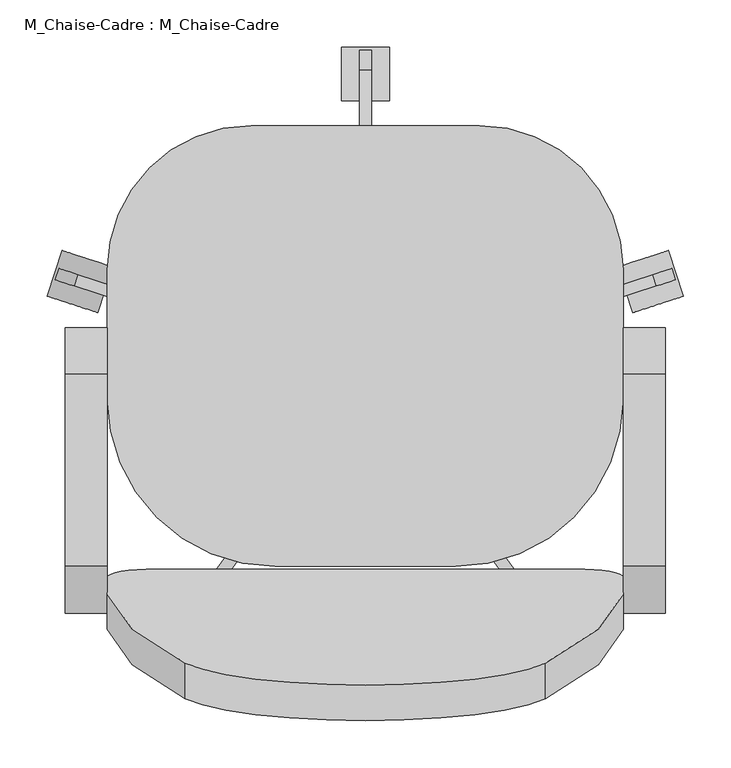
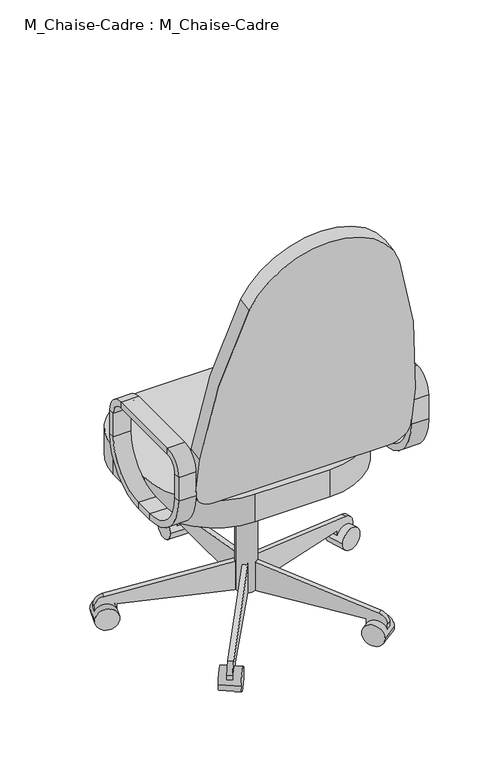
"""IFC4 building model written with IfcOpenShell, lengths in millimetres: furniture geometry, M_Chaise-Cadre : M_Chaise-Cadre."""

from ifc_helpers import new_model, si_unit, point, frame, frame_2d, origin, place, context, project, spatial, polyline, circle_curve, trimmed, segment, composite_curve, outline, extrude, source, transform, mapped, element, save
from ifc_brep_helpers import plane_surface, cylinder_surface, revolved_surface, advanced_brep


def m_chaise_cadre_m_chaise_cadre_8d69e98c(model_context):
    return source(origin(), model_context, "Body", "SolidModel", [
        advanced_brep(
        [(-176.5091803, -217.7873012, 546.1), (-176.5091803, -108.0540984, 436.3667972), (-176.5091803, -108.0540984, 420.4917972), (-176.5091803, -233.6623012, 546.1), (-132.0591803, -217.7873012, 546.1), (-132.0591803, -108.0540984, 436.3667972), (-132.0591803, -233.6623012, 546.1), (-132.0591803, -108.0540984, 420.4917972), (-176.5091803, -233.6623012, 609.6), (-176.5091803, -217.7873012, 609.6), (-132.0591803, -217.7873012, 609.6), (-132.0591803, -233.6623012, 609.6), (-176.5091803, -184.2540984, 643.1332028), (-176.5091803, -184.2540984, 659.0082028), (-132.0591803, -184.2540984, 643.1332028), (-132.0591803, -184.2540984, 659.0082028), (-176.5091803, 18.9459016, 659.0082028), (-176.5091803, 18.9459016, 643.1332028), (-132.0591803, 18.9459016, 643.1332028), (-132.0591803, 18.9459016, 659.0082028), (-176.5091803, 52.4791044, 609.6), (-176.5091803, 68.3541044, 609.6), (-132.0591803, 52.4791044, 609.6), (-132.0591803, 68.3541044, 609.6), (-176.5091803, 68.3541044, 546.1), (-176.5091803, 52.4791044, 546.1), (-132.0591803, 52.4791044, 546.1), (-132.0591803, 68.3541044, 546.1), (-176.5091803, -57.2540984, 436.3667972), (-176.5091803, -57.2540984, 420.4917972), (-132.0591803, -57.2540984, 436.3667972), (-132.0591803, -57.2540984, 420.4917972)],
        [
            (0, 1, circle_curve(frame((-176.5091803, -108.0540984, 546.1), z_axis=(1.0, 0.0, 0.0), x_axis=(0.0, 0.0, -1.0)), 109.7332028)),
            (1, 2),
            (2, 3, circle_curve(frame((-176.5091803, -108.0540984, 546.1), z_axis=(-1.0, 0.0, 0.0), x_axis=(0.0, 0.0, -1.0)), 125.6082028)),
            (3, 0),
            (4, 5, circle_curve(frame((-132.0591803, -108.0540984, 546.1), z_axis=(1.0, 0.0, 0.0), x_axis=(0.0, 0.0, -1.0)), 109.7332028)),
            (5, 1),
            (0, 4),
            (6, 7, circle_curve(frame((-132.0591803, -108.0540984, 546.1), z_axis=(1.0, 0.0, 0.0), x_axis=(0.0, 0.0, -1.0)), 125.6082028)),
            (7, 5),
            (4, 6),
            (2, 7),
            (6, 3),
            (3, 8),
            (8, 9),
            (9, 0),
            (9, 10),
            (10, 4),
            (10, 11),
            (11, 6),
            (11, 8),
            (12, 9, circle_curve(frame((-176.5091803, -184.2540984, 609.6), z_axis=(1.0, 0.0, 0.0), x_axis=(0.0, -1.0, 0.0)), 33.5332028)),
            (8, 13, circle_curve(frame((-176.5091803, -184.2540984, 609.6), z_axis=(-1.0, 0.0, 0.0), x_axis=(0.0, -1.0, 0.0)), 49.4082028)),
            (13, 12),
            (14, 10, circle_curve(frame((-132.0591803, -184.2540984, 609.6), z_axis=(1.0, 0.0, 0.0), x_axis=(0.0, -1.0, 0.0)), 33.5332028)),
            (12, 14),
            (15, 11, circle_curve(frame((-132.0591803, -184.2540984, 609.6), z_axis=(1.0, 0.0, 0.0), x_axis=(0.0, -1.0, 0.0)), 49.4082028)),
            (14, 15),
            (15, 13),
            (13, 16),
            (16, 17),
            (17, 12),
            (17, 18),
            (18, 14),
            (18, 19),
            (19, 15),
            (19, 16),
            (20, 17, circle_curve(frame((-176.5091803, 18.9459016, 609.6), z_axis=(1.0, 0.0, 0.0), x_axis=(0.0, 0.0, 1.0)), 33.5332028)),
            (16, 21, circle_curve(frame((-176.5091803, 18.9459016, 609.6), z_axis=(-1.0, 0.0, 0.0), x_axis=(0.0, 0.0, 1.0)), 49.4082028)),
            (21, 20),
            (22, 18, circle_curve(frame((-132.0591803, 18.9459016, 609.6), z_axis=(1.0, 0.0, 0.0), x_axis=(0.0, 0.0, 1.0)), 33.5332028)),
            (20, 22),
            (23, 19, circle_curve(frame((-132.0591803, 18.9459016, 609.6), z_axis=(1.0, 0.0, 0.0), x_axis=(0.0, 0.0, 1.0)), 49.4082028)),
            (22, 23),
            (23, 21),
            (21, 24),
            (24, 25),
            (25, 20),
            (25, 26),
            (26, 22),
            (26, 27),
            (27, 23),
            (27, 24),
            (28, 25, circle_curve(frame((-176.5091803, -57.2540984, 546.1), z_axis=(1.0, 0.0, 0.0), x_axis=(0.0, 1.0, 0.0)), 109.7332028)),
            (24, 29, circle_curve(frame((-176.5091803, -57.2540984, 546.1), z_axis=(-1.0, 0.0, 0.0), x_axis=(0.0, 1.0, 0.0)), 125.6082028)),
            (29, 28),
            (30, 26, circle_curve(frame((-132.0591803, -57.2540984, 546.1), z_axis=(1.0, 0.0, 0.0), x_axis=(0.0, 1.0, 0.0)), 109.7332028)),
            (28, 30),
            (31, 27, circle_curve(frame((-132.0591803, -57.2540984, 546.1), z_axis=(1.0, 0.0, 0.0), x_axis=(0.0, 1.0, 0.0)), 125.6082028)),
            (30, 31),
            (31, 29),
            (29, 2),
            (1, 28),
            (5, 30),
            (7, 31),
        ],
        [
            plane_surface(frame((-176.5091803, -108.0540984, 546.1), z_axis=(-1.0, 0.0, 0.0), x_axis=(0.0, 0.0, -1.0))),
            revolved_surface(polyline([(-176.5091803, -108.0540984, 436.3667972), (-132.0591803, -108.0540984, 436.3667972)]), (-132.0591803, -108.0540984, 546.1), (-1.0, 0.0, 0.0)),
            plane_surface(frame((-132.0591803, -108.0540984, 546.1), z_axis=(1.0, 0.0, 0.0), x_axis=(0.0, 0.0, -1.0))),
            cylinder_surface(frame((-132.0591803, -108.0540984, 546.1), z_axis=(-1.0, 0.0, 0.0), x_axis=(0.0, 0.0, -1.0)), 125.6082028),
            plane_surface(frame((-176.5091803, -233.6623012, 546.1), z_axis=(-1.0, 0.0, 0.0), x_axis=(0.0, 0.0, 1.0))),
            plane_surface(frame((-176.5091803, -217.7873012, 546.1), z_axis=(0.0, 1.0, 0.0), x_axis=(0.0, 0.0, 1.0))),
            plane_surface(frame((-132.0591803, -217.7873012, 546.1), z_axis=(1.0, 0.0, 0.0), x_axis=(0.0, 0.0, 1.0))),
            plane_surface(frame((-132.0591803, -233.6623012, 546.1), z_axis=(0.0, -1.0, 0.0), x_axis=(0.0, 0.0, 1.0))),
            plane_surface(frame((-176.5091803, -184.2540984, 609.6), z_axis=(-1.0, 0.0, 0.0), x_axis=(0.0, -1.0, 0.0))),
            revolved_surface(polyline([(-176.5091803, -217.7873012, 609.6), (-132.0591803, -217.7873012, 609.6)]), (-132.0591803, -184.2540984, 609.6), (-1.0, 0.0, 0.0)),
            plane_surface(frame((-132.0591803, -184.2540984, 609.6), z_axis=(1.0, 0.0, 0.0), x_axis=(0.0, -1.0, 0.0))),
            cylinder_surface(frame((-132.0591803, -184.2540984, 609.6), z_axis=(-1.0, 0.0, 0.0), x_axis=(0.0, -1.0, 0.0)), 49.4082028),
            plane_surface(frame((-176.5091803, -184.2540984, 659.0082028), z_axis=(-1.0, 0.0, 0.0), x_axis=(0.0, 1.0, 0.0))),
            plane_surface(frame((-176.5091803, -184.2540984, 643.1332028), z_axis=(0.0, 0.0, -1.0), x_axis=(0.0, 1.0, 0.0))),
            plane_surface(frame((-132.0591803, -184.2540984, 643.1332028), z_axis=(1.0, 0.0, 0.0), x_axis=(0.0, 1.0, 0.0))),
            plane_surface(frame((-132.0591803, -184.2540984, 659.0082028), z_axis=(0.0, 0.0, 1.0), x_axis=(0.0, 1.0, 0.0))),
            plane_surface(frame((-176.5091803, 18.9459016, 609.6), z_axis=(-1.0, 0.0, 0.0), x_axis=(0.0, 0.0, 1.0))),
            revolved_surface(polyline([(-176.5091803, 18.9459016, 643.1332028), (-132.0591803, 18.9459016, 643.1332028)]), (-132.0591803, 18.9459016, 609.6), (-1.0, 0.0, 0.0)),
            plane_surface(frame((-132.0591803, 18.9459016, 609.6), z_axis=(1.0, 0.0, 0.0), x_axis=(0.0, 0.0, 1.0))),
            cylinder_surface(frame((-132.0591803, 18.9459016, 609.6), z_axis=(-1.0, 0.0, 0.0), x_axis=(0.0, 0.0, 1.0)), 49.4082028),
            plane_surface(frame((-176.5091803, 68.3541044, 609.6), z_axis=(-1.0, 0.0, 0.0), x_axis=(0.0, 0.0, -1.0))),
            plane_surface(frame((-176.5091803, 52.4791044, 609.6), z_axis=(0.0, -1.0, 0.0), x_axis=(0.0, 0.0, -1.0))),
            plane_surface(frame((-132.0591803, 52.4791044, 609.6), z_axis=(1.0, 0.0, 0.0), x_axis=(0.0, 0.0, -1.0))),
            plane_surface(frame((-132.0591803, 68.3541044, 609.6), z_axis=(0.0, 1.0, 0.0), x_axis=(0.0, 0.0, -1.0))),
            plane_surface(frame((-176.5091803, -57.2540984, 546.1), z_axis=(-1.0, 0.0, 0.0), x_axis=(0.0, 1.0, 0.0))),
            revolved_surface(polyline([(-176.5091803, 52.479104400000004, 546.1), (-132.0591803, 52.479104400000004, 546.1)]), (-132.0591803, -57.2540984, 546.1), (-1.0, 0.0, 0.0)),
            plane_surface(frame((-132.0591803, -57.2540984, 546.1), z_axis=(1.0, 0.0, 0.0), x_axis=(0.0, 1.0, 0.0))),
            cylinder_surface(frame((-132.0591803, -57.2540984, 546.1), z_axis=(-1.0, 0.0, 0.0), x_axis=(0.0, 1.0, 0.0)), 125.6082028),
            plane_surface(frame((-176.5091803, -57.2540984, 420.4917972), z_axis=(-1.0, 0.0, 0.0), x_axis=(0.0, -1.0, 0.0))),
            plane_surface(frame((-176.5091803, -57.2540984, 436.3667972), z_axis=(0.0, 0.0, 1.0), x_axis=(0.0, -1.0, 0.0))),
            plane_surface(frame((-132.0591803, -57.2540984, 436.3667972), z_axis=(1.0, 0.0, 0.0), x_axis=(0.0, -1.0, 0.0))),
            plane_surface(frame((-132.0591803, -57.2540984, 420.4917972), z_axis=(0.0, 0.0, -1.0), x_axis=(0.0, -1.0, 0.0))),
        ],
        [
            (0, [[1, 2, 3, 4]]),
            (1, [[5, 6, -1, 7]]),
            (2, [[8, 9, -5, 10]]),
            (3, [[-3, 11, -8, 12]]),
            (4, [[-4, 13, 14, 15]]),
            (5, [[-7, -15, 16, 17]]),
            (6, [[-10, -17, 18, 19]]),
            (7, [[-12, -19, 20, -13]]),
            (8, [[21, -14, 22, 23]]),
            (9, [[24, -16, -21, 25]]),
            (10, [[26, -18, -24, 27]]),
            (11, [[-22, -20, -26, 28]]),
            (12, [[-23, 29, 30, 31]]),
            (13, [[-25, -31, 32, 33]]),
            (14, [[-27, -33, 34, 35]]),
            (15, [[-28, -35, 36, -29]]),
            (16, [[37, -30, 38, 39]]),
            (17, [[40, -32, -37, 41]]),
            (18, [[42, -34, -40, 43]]),
            (19, [[-38, -36, -42, 44]]),
            (20, [[-39, 45, 46, 47]]),
            (21, [[-41, -47, 48, 49]]),
            (22, [[-43, -49, 50, 51]]),
            (23, [[-44, -51, 52, -45]]),
            (24, [[53, -46, 54, 55]]),
            (25, [[56, -48, -53, 57]]),
            (26, [[58, -50, -56, 59]]),
            (27, [[-54, -52, -58, 60]]),
            (28, [[-55, 61, -2, 62]]),
            (29, [[-57, -62, -6, 63]]),
            (30, [[-59, -63, -9, 64]]),
            (31, [[-60, -64, -11, -61]]),
        ],
    ),
        advanced_brep(
        [(414.0408197, -233.6623012, 546.1), (414.0408197, -108.0540984, 420.4917972), (458.4908197, -108.0540984, 420.4917972), (458.4908197, -233.6623012, 546.1), (414.0408197, -217.7873012, 546.1), (414.0408197, -108.0540984, 436.3667972), (458.4908197, -217.7873012, 546.1), (458.4908197, -108.0540984, 436.3667972), (458.4908197, -233.6623012, 609.6), (414.0408197, -233.6623012, 609.6), (414.0408197, -217.7873012, 609.6), (458.4908197, -217.7873012, 609.6), (414.0408197, -184.2540984, 659.0082028), (458.4908197, -184.2540984, 659.0082028), (414.0408197, -184.2540984, 643.1332028), (458.4908197, -184.2540984, 643.1332028), (458.4908197, 18.9459016, 659.0082028), (414.0408197, 18.9459016, 659.0082028), (414.0408197, 18.9459016, 643.1332028), (458.4908197, 18.9459016, 643.1332028), (414.0408197, 68.3541044, 609.6), (458.4908197, 68.3541044, 609.6), (414.0408197, 52.4791044, 609.6), (458.4908197, 52.4791044, 609.6), (458.4908197, 68.3541044, 546.1), (414.0408197, 68.3541044, 546.1), (414.0408197, 52.4791044, 546.1), (458.4908197, 52.4791044, 546.1), (414.0408197, -57.2540984, 420.4917972), (458.4908197, -57.2540984, 420.4917972), (414.0408197, -57.2540984, 436.3667972), (458.4908197, -57.2540984, 436.3667972)],
        [
            (0, 1, circle_curve(frame((414.0408197, -108.0540984, 546.1), z_axis=(1.0, 0.0, 0.0), x_axis=(0.0, 0.0, -1.0)), 125.6082028)),
            (1, 2),
            (2, 3, circle_curve(frame((458.4908197, -108.0540984, 546.1), z_axis=(-1.0, 0.0, 0.0), x_axis=(0.0, 0.0, -1.0)), 125.6082028)),
            (3, 0),
            (4, 5, circle_curve(frame((414.0408197, -108.0540984, 546.1), z_axis=(1.0, 0.0, 0.0), x_axis=(0.0, 0.0, -1.0)), 109.7332028)),
            (5, 1),
            (0, 4),
            (6, 7, circle_curve(frame((458.4908197, -108.0540984, 546.1), z_axis=(1.0, 0.0, 0.0), x_axis=(0.0, 0.0, -1.0)), 109.7332028)),
            (7, 5),
            (4, 6),
            (2, 7),
            (6, 3),
            (3, 8),
            (8, 9),
            (9, 0),
            (9, 10),
            (10, 4),
            (10, 11),
            (11, 6),
            (11, 8),
            (12, 9, circle_curve(frame((414.0408197, -184.2540984, 609.6), z_axis=(1.0, 0.0, 0.0), x_axis=(0.0, -1.0, 0.0)), 49.4082028)),
            (8, 13, circle_curve(frame((458.4908197, -184.2540984, 609.6), z_axis=(-1.0, 0.0, 0.0), x_axis=(0.0, -1.0, 0.0)), 49.4082028)),
            (13, 12),
            (14, 10, circle_curve(frame((414.0408197, -184.2540984, 609.6), z_axis=(1.0, 0.0, 0.0), x_axis=(0.0, -1.0, 0.0)), 33.5332028)),
            (12, 14),
            (15, 11, circle_curve(frame((458.4908197, -184.2540984, 609.6), z_axis=(1.0, 0.0, 0.0), x_axis=(0.0, -1.0, 0.0)), 33.5332028)),
            (14, 15),
            (15, 13),
            (13, 16),
            (16, 17),
            (17, 12),
            (17, 18),
            (18, 14),
            (18, 19),
            (19, 15),
            (19, 16),
            (20, 17, circle_curve(frame((414.0408197, 18.9459016, 609.6), z_axis=(1.0, 0.0, 0.0), x_axis=(0.0, 0.0, 1.0)), 49.4082028)),
            (16, 21, circle_curve(frame((458.4908197, 18.9459016, 609.6), z_axis=(-1.0, 0.0, 0.0), x_axis=(0.0, 0.0, 1.0)), 49.4082028)),
            (21, 20),
            (22, 18, circle_curve(frame((414.0408197, 18.9459016, 609.6), z_axis=(1.0, 0.0, 0.0), x_axis=(0.0, 0.0, 1.0)), 33.5332028)),
            (20, 22),
            (23, 19, circle_curve(frame((458.4908197, 18.9459016, 609.6), z_axis=(1.0, 0.0, 0.0), x_axis=(0.0, 0.0, 1.0)), 33.5332028)),
            (22, 23),
            (23, 21),
            (21, 24),
            (24, 25),
            (25, 20),
            (25, 26),
            (26, 22),
            (26, 27),
            (27, 23),
            (27, 24),
            (28, 25, circle_curve(frame((414.0408197, -57.2540984, 546.1), z_axis=(1.0, 0.0, 0.0), x_axis=(0.0, 1.0, 0.0)), 125.6082028)),
            (24, 29, circle_curve(frame((458.4908197, -57.2540984, 546.1), z_axis=(-1.0, 0.0, 0.0), x_axis=(0.0, 1.0, 0.0)), 125.6082028)),
            (29, 28),
            (30, 26, circle_curve(frame((414.0408197, -57.2540984, 546.1), z_axis=(1.0, 0.0, 0.0), x_axis=(0.0, 1.0, 0.0)), 109.7332028)),
            (28, 30),
            (31, 27, circle_curve(frame((458.4908197, -57.2540984, 546.1), z_axis=(1.0, 0.0, 0.0), x_axis=(0.0, 1.0, 0.0)), 109.7332028)),
            (30, 31),
            (31, 29),
            (29, 2),
            (1, 28),
            (5, 30),
            (7, 31),
        ],
        [
            cylinder_surface(frame((414.0408197, -108.0540984, 546.1), z_axis=(-1.0, 0.0, 0.0), x_axis=(0.0, 0.0, -1.0)), 125.6082028),
            plane_surface(frame((414.0408197, -108.0540984, 546.1), z_axis=(-1.0, 0.0, 0.0), x_axis=(0.0, 0.0, -1.0))),
            revolved_surface(polyline([(414.0408197, -108.0540984, 436.3667972), (458.4908197, -108.0540984, 436.3667972)]), (414.0408197, -108.0540984, 546.1), (-1.0, 0.0, 0.0)),
            plane_surface(frame((458.4908197, -108.0540984, 546.1), z_axis=(1.0, 0.0, 0.0), x_axis=(0.0, 0.0, -1.0))),
            plane_surface(frame((458.4908197, -233.6623012, 546.1), z_axis=(0.0, -1.0, 0.0), x_axis=(0.0, 0.0, 1.0))),
            plane_surface(frame((414.0408197, -233.6623012, 546.1), z_axis=(-1.0, 0.0, 0.0), x_axis=(0.0, 0.0, 1.0))),
            plane_surface(frame((414.0408197, -217.7873012, 546.1), z_axis=(0.0, 1.0, 0.0), x_axis=(0.0, 0.0, 1.0))),
            plane_surface(frame((458.4908197, -217.7873012, 546.1), z_axis=(1.0, 0.0, 0.0), x_axis=(0.0, 0.0, 1.0))),
            cylinder_surface(frame((414.0408197, -184.2540984, 609.6), z_axis=(-1.0, 0.0, 0.0), x_axis=(0.0, -1.0, 0.0)), 49.4082028),
            plane_surface(frame((414.0408197, -184.2540984, 609.6), z_axis=(-1.0, 0.0, 0.0), x_axis=(0.0, -1.0, 0.0))),
            revolved_surface(polyline([(414.0408197, -217.7873012, 609.6), (458.4908197, -217.7873012, 609.6)]), (414.0408197, -184.2540984, 609.6), (-1.0, 0.0, 0.0)),
            plane_surface(frame((458.4908197, -184.2540984, 609.6), z_axis=(1.0, 0.0, 0.0), x_axis=(0.0, -1.0, 0.0))),
            plane_surface(frame((458.4908197, -184.2540984, 659.0082028), z_axis=(0.0, 0.0, 1.0), x_axis=(0.0, 1.0, 0.0))),
            plane_surface(frame((414.0408197, -184.2540984, 659.0082028), z_axis=(-1.0, 0.0, 0.0), x_axis=(0.0, 1.0, 0.0))),
            plane_surface(frame((414.0408197, -184.2540984, 643.1332028), z_axis=(0.0, 0.0, -1.0), x_axis=(0.0, 1.0, 0.0))),
            plane_surface(frame((458.4908197, -184.2540984, 643.1332028), z_axis=(1.0, 0.0, 0.0), x_axis=(0.0, 1.0, 0.0))),
            cylinder_surface(frame((414.0408197, 18.9459016, 609.6), z_axis=(-1.0, 0.0, 0.0), x_axis=(0.0, 0.0, 1.0)), 49.4082028),
            plane_surface(frame((414.0408197, 18.9459016, 609.6), z_axis=(-1.0, 0.0, 0.0), x_axis=(0.0, 0.0, 1.0))),
            revolved_surface(polyline([(414.0408197, 18.9459016, 643.1332028), (458.4908197, 18.9459016, 643.1332028)]), (414.0408197, 18.9459016, 609.6), (-1.0, 0.0, 0.0)),
            plane_surface(frame((458.4908197, 18.9459016, 609.6), z_axis=(1.0, 0.0, 0.0), x_axis=(0.0, 0.0, 1.0))),
            plane_surface(frame((458.4908197, 68.3541044, 609.6), z_axis=(0.0, 1.0, 0.0), x_axis=(0.0, 0.0, -1.0))),
            plane_surface(frame((414.0408197, 68.3541044, 609.6), z_axis=(-1.0, 0.0, 0.0), x_axis=(0.0, 0.0, -1.0))),
            plane_surface(frame((414.0408197, 52.4791044, 609.6), z_axis=(0.0, -1.0, 0.0), x_axis=(0.0, 0.0, -1.0))),
            plane_surface(frame((458.4908197, 52.4791044, 609.6), z_axis=(1.0, 0.0, 0.0), x_axis=(0.0, 0.0, -1.0))),
            cylinder_surface(frame((414.0408197, -57.2540984, 546.1), z_axis=(-1.0, 0.0, 0.0), x_axis=(0.0, 1.0, 0.0)), 125.6082028),
            plane_surface(frame((414.0408197, -57.2540984, 546.1), z_axis=(-1.0, 0.0, 0.0), x_axis=(0.0, 1.0, 0.0))),
            revolved_surface(polyline([(414.0408197, 52.479104400000004, 546.1), (458.4908197, 52.479104400000004, 546.1)]), (414.0408197, -57.2540984, 546.1), (-1.0, 0.0, 0.0)),
            plane_surface(frame((458.4908197, -57.2540984, 546.1), z_axis=(1.0, 0.0, 0.0), x_axis=(0.0, 1.0, 0.0))),
            plane_surface(frame((458.4908197, -57.2540984, 420.4917972), z_axis=(0.0, 0.0, -1.0), x_axis=(0.0, -1.0, 0.0))),
            plane_surface(frame((414.0408197, -57.2540984, 420.4917972), z_axis=(-1.0, 0.0, 0.0), x_axis=(0.0, -1.0, 0.0))),
            plane_surface(frame((414.0408197, -57.2540984, 436.3667972), z_axis=(0.0, 0.0, 1.0), x_axis=(0.0, -1.0, 0.0))),
            plane_surface(frame((458.4908197, -57.2540984, 436.3667972), z_axis=(1.0, 0.0, 0.0), x_axis=(0.0, -1.0, 0.0))),
        ],
        [
            (0, [[1, 2, 3, 4]]),
            (1, [[5, 6, -1, 7]]),
            (2, [[8, 9, -5, 10]]),
            (3, [[-3, 11, -8, 12]]),
            (4, [[-4, 13, 14, 15]]),
            (5, [[-7, -15, 16, 17]]),
            (6, [[-10, -17, 18, 19]]),
            (7, [[-12, -19, 20, -13]]),
            (8, [[21, -14, 22, 23]]),
            (9, [[24, -16, -21, 25]]),
            (10, [[26, -18, -24, 27]]),
            (11, [[-22, -20, -26, 28]]),
            (12, [[-23, 29, 30, 31]]),
            (13, [[-25, -31, 32, 33]]),
            (14, [[-27, -33, 34, 35]]),
            (15, [[-28, -35, 36, -29]]),
            (16, [[37, -30, 38, 39]]),
            (17, [[40, -32, -37, 41]]),
            (18, [[42, -34, -40, 43]]),
            (19, [[-38, -36, -42, 44]]),
            (20, [[-39, 45, 46, 47]]),
            (21, [[-41, -47, 48, 49]]),
            (22, [[-43, -49, 50, 51]]),
            (23, [[-44, -51, 52, -45]]),
            (24, [[53, -46, 54, 55]]),
            (25, [[56, -48, -53, 57]]),
            (26, [[58, -50, -56, 59]]),
            (27, [[-54, -52, -58, 60]]),
            (28, [[-55, 61, -2, 62]]),
            (29, [[-57, -62, -6, 63]]),
            (30, [[-59, -63, -9, 64]]),
            (31, [[-60, -64, -11, -61]]),
        ],
    ),
        extrude(outline(composite_curve([segment(trimmed(circle_curve(frame_2d((0.0, -50.8)), 50.8), [point((0.0, 0.0))], [point((50.8, -50.8))], False, "CARTESIAN"), True, "CONTINUOUS"), segment(polyline([(50.8, -50.8), (50.8, -152.4)]), True, "CONTINUOUS"), segment(trimmed(circle_curve(frame_2d((-1471.2021854, -74.3913617)), 1524.0), [point((50.8, -152.4))], [point((-31.75, -574.9444618))], False, "CARTESIAN"), True, "CONTINUOUS"), segment(trimmed(circle_curve(frame_2d((-222.25, -504.2338544)), 203.2), [point((-31.75, -574.9444618))], [point((-412.75, -574.9444618))], False, "CARTESIAN"), True, "CONTINUOUS"), segment(trimmed(circle_curve(frame_2d((1026.7021854, -74.3913617)), 1524.0), [point((-412.75, -574.9444618))], [point((-495.3, -152.4))], False, "CARTESIAN"), True, "CONTINUOUS"), segment(polyline([(-495.3, -152.4), (-495.3, -50.8)]), True, "CONTINUOUS"), segment(trimmed(circle_curve(frame_2d((-444.5, -50.8)), 50.8), [point((-495.3, -50.8))], [point((-444.5, 0.0))], False, "CARTESIAN"), True, "CONTINUOUS"), segment(polyline([(-444.5, 0.0), (0.0, 0.0)]), True, "CONTINUOUS")], self_intersect=False)), frame((363.2408197, -224.5698964, 503.1641822), z_axis=(0.0, 0.9848077530122084, 0.17364817766692853), x_axis=(1.0, 0.0, 0.0)), (0.0, 0.0, 1.0), 38.1),
        extrude(outline(composite_curve([segment(trimmed(circle_curve(frame_2d((20.3408197, 129.4961016)), 152.4), [point((-132.0591803, 129.4961016))], [point((20.3408197, 281.8961016))], False, "CARTESIAN"), True, "CONTINUOUS"), segment(polyline([(20.3408197, 281.8961016), (261.6408197, 281.8961016)]), True, "CONTINUOUS"), segment(trimmed(circle_curve(frame_2d((261.6408197, 129.4961016)), 152.4), [point((261.6408197, 281.8961016))], [point((414.0408197, 129.4961016))], False, "CARTESIAN"), True, "CONTINUOUS"), segment(polyline([(414.0408197, 129.4961016), (414.0408197, -6.4540984)]), True, "CONTINUOUS"), segment(trimmed(circle_curve(frame_2d((236.2408197, -6.4540984)), 177.8), [point((414.0408197, -6.4540984))], [point((236.2408197, -184.2540984))], False, "CARTESIAN"), True, "CONTINUOUS"), segment(polyline([(236.2408197, -184.2540984), (45.7408197, -184.2540984)]), True, "CONTINUOUS"), segment(trimmed(circle_curve(frame_2d((45.7408197, -6.4540984)), 177.8), [point((45.7408197, -184.2540984))], [point((-132.0591803, -6.4540984))], False, "CARTESIAN"), True, "CONTINUOUS"), segment(polyline([(-132.0591803, -6.4540984), (-132.0591803, 129.4961016)]), True, "CONTINUOUS")], self_intersect=False)), frame((0.0, 0.0, 383.7835944), z_axis=(0.0, 0.0, 1.0), x_axis=(1.0, 0.0, 0.0)), (0.0, 0.0, 1.0), 73.4164056),
        extrude(outline(composite_curve([segment(trimmed(circle_curve(frame_2d((140.9908197, 18.9459016)), 25.4), [point((115.5908197, 18.9459016))], [point((166.3908197, 18.9459016))], False, "CARTESIAN"), True, "CONTINUOUS"), segment(trimmed(circle_curve(frame_2d((140.9908197, 18.9459016)), 25.4), [point((166.3908197, 18.9459016))], [point((115.5908197, 18.9459016))], False, "CARTESIAN"), True, "CONTINUOUS")], self_intersect=False)), frame((0.0, 0.0, 53.5835944), z_axis=(0.0, 0.0, 1.0), x_axis=(1.0, 0.0, 0.0)), (0.0, 0.0, 1.0), 330.5914056),
        extrude(outline(composite_curve([segment(trimmed(circle_curve(frame_2d((0.0, -28.2002727)), 28.2002727), [point((0.0, -56.4005455))], [point((0.0, 0.0))], False, "CARTESIAN"), True, "CONTINUOUS"), segment(trimmed(circle_curve(frame_2d((0.0, -28.2002727)), 28.2002727), [point((0.0, 0.0))], [point((0.0, -56.4005455))], False, "CARTESIAN"), True, "CONTINUOUS")], self_intersect=False)), frame((477.6203484, 101.6163254, 28.1835944), z_axis=(-0.3090169943749423, 0.9510565162951553, 0.0), x_axis=(0.0, 0.0, 1.0)), (0.0, 0.0, 1.0), 50.8),
        extrude(outline(composite_curve([segment(polyline([(-25.4, 0.0), (0.0, 0.0), (0.0, -50.8), (-24.303053, -50.8)]), True, "CONTINUOUS"), segment(trimmed(circle_curve(frame_2d((-24.303053, -25.4)), 25.4), [point((-24.303053, -50.8))], [point((-49.3171699, -29.8106637))], False, "CARTESIAN"), True, "CONTINUOUS"), segment(polyline([(-49.3171699, -29.8106637), (-101.6, 266.7), (-101.6, 292.1), (-25.4, 292.1), (-25.4, 0.0)]), True, "CONTINUOUS")], self_intersect=False)), frame((420.756686, 103.1705568, 28.1835944), z_axis=(-0.3090169943749423, 0.9510565162951553, 0.0), x_axis=(0.0, 0.0, -1.0)), (0.0, 0.0, 1.0), 12.7),
        extrude(outline(composite_curve([segment(trimmed(circle_curve(frame_2d((0.0, -28.2002727)), 28.2002727), [point((0.0, -56.4005455))], [point((0.0, 0.0))], False, "CARTESIAN"), True, "CONTINUOUS"), segment(trimmed(circle_curve(frame_2d((0.0, -28.2002727)), 28.2002727), [point((0.0, 0.0))], [point((0.0, -56.4005455))], False, "CARTESIAN"), True, "CONTINUOUS")], self_intersect=False)), frame((323.63931, -275.6612394, 28.1835944), z_axis=(0.8090169943749499, 0.5877852522924699, 0.0), x_axis=(0.0, 0.0, 1.0)), (0.0, 0.0, 1.0), 50.8),
        extrude(outline(composite_curve([segment(polyline([(-25.4, 0.0), (0.0, 0.0), (0.0, -50.8), (-24.303053, -50.8)]), True, "CONTINUOUS"), segment(trimmed(circle_curve(frame_2d((-24.303053, -25.3999999)), 25.4), [point((-24.303053, -50.8))], [point((-49.3171699, -29.8106636))], False, "CARTESIAN"), True, "CONTINUOUS"), segment(polyline([(-49.3171699, -29.8106636), (-101.6, 266.7), (-101.6, 292.1), (-25.4, 292.1), (-25.4, 0.0)]), True, "CONTINUOUS")], self_intersect=False)), frame((307.545634, -221.1003988, 28.1835944), z_axis=(0.8090169943749499, 0.5877852522924699, 0.0), x_axis=(0.0, 0.0, -1.0)), (0.0, 0.0, 1.0), 12.7),
        extrude(outline(composite_curve([segment(trimmed(circle_curve(frame_2d((0.0, -28.2002727)), 28.2002727), [point((0.0, -56.4005455))], [point((0.0, 0.0))], False, "CARTESIAN"), True, "CONTINUOUS"), segment(trimmed(circle_curve(frame_2d((0.0, -28.2002727)), 28.2002727), [point((0.0, 0.0))], [point((0.0, -56.4005455))], False, "CARTESIAN"), True, "CONTINUOUS")], self_intersect=False)), frame((-41.6576707, -275.6612394, 28.1835944), z_axis=(-0.8090169943749458, 0.5877852522924754, 0.0), x_axis=(0.0, 0.0, -1.0)), (0.0, 0.0, 1.0), 50.8),
        extrude(outline(composite_curve([segment(polyline([(25.4, 0.0), (25.4, 292.1), (101.6, 292.1), (101.6, 266.7), (49.3171699, -29.8106637)]), True, "CONTINUOUS"), segment(trimmed(circle_curve(frame_2d((24.303053, -25.3999999)), 25.4), [point((49.3171699, -29.8106637))], [point((24.303053, -50.8))], False, "CARTESIAN"), True, "CONTINUOUS"), segment(polyline([(24.303053, -50.8), (0.0, -50.8), (0.0, 0.0), (25.4, 0.0)]), True, "CONTINUOUS")], self_intersect=False)), frame((-25.5639946, -221.1003988, 28.1835944), z_axis=(-0.8090169943749459, 0.5877852522924754, 0.0), x_axis=(0.0, 0.0, 1.0)), (0.0, 0.0, 1.0), 12.7),
        extrude(outline(composite_curve([segment(trimmed(circle_curve(frame_2d((0.0, -28.2002727)), 28.2002727), [point((0.0, -56.4005454))], [point((0.0, 0.0))], False, "CARTESIAN"), True, "CONTINUOUS"), segment(trimmed(circle_curve(frame_2d((0.0, -28.2002727)), 28.2002727), [point((0.0, 0.0))], [point((0.0, -56.4005454))], False, "CARTESIAN"), True, "CONTINUOUS")], self_intersect=False)), frame((-195.638709, 101.6163254, 28.1835944), z_axis=(0.3090169943749487, 0.9510565162951532, 0.0), x_axis=(0.0, 0.0, -1.0)), (0.0, 0.0, 1.0), 50.8),
        extrude(outline(composite_curve([segment(polyline([(25.4, 0.0), (25.4, 292.1000001), (101.6, 292.1000001), (101.6, 266.7), (49.3171699, -29.8106636)]), True, "CONTINUOUS"), segment(trimmed(circle_curve(frame_2d((24.303053, -25.4)), 25.4), [point((49.3171699, -29.8106636))], [point((24.303053, -50.8))], False, "CARTESIAN"), True, "CONTINUOUS"), segment(polyline([(24.303053, -50.8), (0.0, -50.8), (0.0, 0.0), (25.4, 0.0)]), True, "CONTINUOUS")], self_intersect=False)), frame((-138.7750467, 103.1705568, 28.1835944), z_axis=(0.3090169943749487, 0.9510565162951532, 0.0), x_axis=(0.0, 0.0, 1.0)), (0.0, 0.0, 1.0), 12.7),
        extrude(outline(composite_curve([segment(trimmed(circle_curve(frame_2d((336.4459016, 28.1835944)), 28.2002727), [point((308.2456289, 28.1835944))], [point((364.6461744, 28.1835944))], False, "CARTESIAN"), True, "CONTINUOUS"), segment(trimmed(circle_curve(frame_2d((336.4459016, 28.1835944)), 28.2002727), [point((364.6461744, 28.1835944))], [point((308.2456289, 28.1835944))], False, "CARTESIAN"), True, "CONTINUOUS")], self_intersect=False)), frame((115.5908197, 0.0, 0.0), z_axis=(1.0, 0.0, 0.0), x_axis=(0.0, 1.0, 0.0)), (0.0, 0.0, 1.0), 50.8),
        extrude(outline(composite_curve([segment(polyline([(311.0459016, 53.5835944), (18.9459016, 53.5835944), (18.9459016, 129.7835944), (44.3459016, 129.7835944), (340.8565654, 77.5007643)]), True, "CONTINUOUS"), segment(trimmed(circle_curve(frame_2d((336.4459016, 52.4866474)), 25.4), [point((340.8565654, 77.5007643))], [point((361.8459016, 52.4866474))], False, "CARTESIAN"), True, "CONTINUOUS"), segment(polyline([(361.8459016, 52.4866474), (361.8459016, 28.1835944), (311.0459016, 28.1835944), (311.0459016, 53.5835944)]), True, "CONTINUOUS")], self_intersect=False)), frame((134.6408197, 0.0, 0.0), z_axis=(1.0, 0.0, 0.0), x_axis=(0.0, 1.0, 0.0)), (0.0, 0.0, 1.0), 12.7),
        extrude(outline(polyline([(69.7459016, 383.7835944), (69.7459016, 371.0835944), (18.9459016, 283.0954134), (-19.1540984, 283.0954134), (-19.1540984, 383.7835944), (69.7459016, 383.7835944)])), frame((90.1908197, 0.0, 0.0), z_axis=(1.0, 0.0, 0.0), x_axis=(0.0, 1.0, 0.0)), (0.0, 0.0, 1.0), 101.6),
    ])


if __name__ == "__main__":
    model = new_model("IFC4")
    model_context = context("Model", 3, world=origin())
    ifc_project = project(units=[si_unit("LENGTHUNIT", "METRE", prefix="MILLI")], contexts=[model_context])
    site = spatial("IfcSite", under=ifc_project)
    building = spatial("IfcBuilding", under=site)
    placement = place(None, origin())
    m_chaise_cadre_m_chaise_cadre_shape = m_chaise_cadre_m_chaise_cadre_8d69e98c(model_context)
    element("IfcFurniture", 1, ObjectType="M_Chaise-Cadre : M_Chaise-Cadre", at=placement, inside=building, context=model_context, shape_type="MappedRepresentation", body=[
        mapped(m_chaise_cadre_m_chaise_cadre_shape, transform((0.0, 0.0, 0.0), x_axis=(1.0, 0.0, 0.0), y_axis=(0.0, 1.0, 0.0), z_axis=(0.0, 0.0, 1.0))),
    ])
    save(model, "model.ifc")
